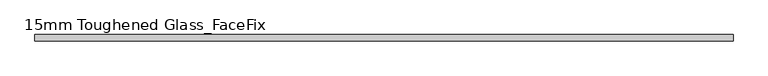
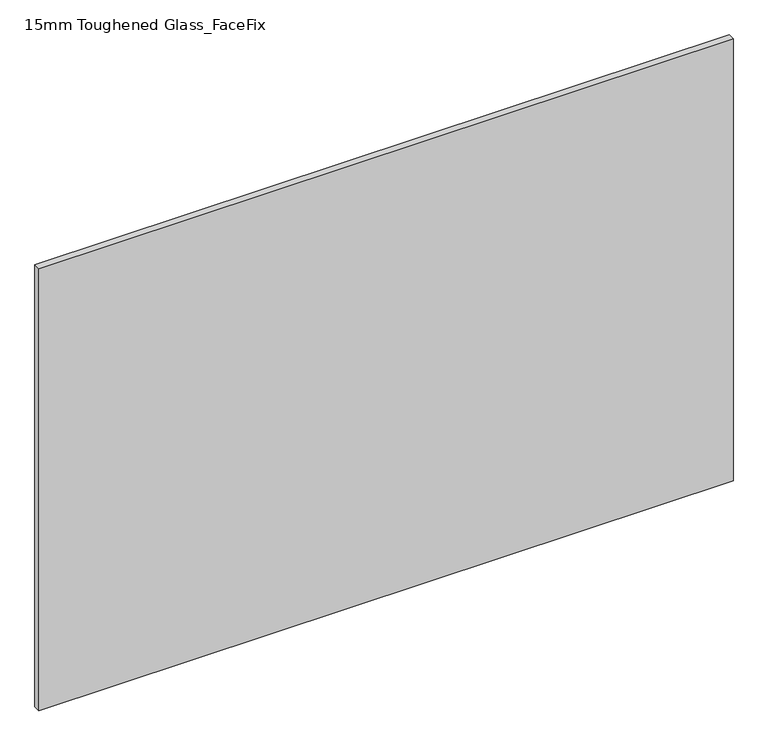
"""IFC4 building model written with IfcOpenShell, lengths in millimetres: plate geometry, 15mm Toughened Glass_FaceFix."""

from ifc_helpers import new_model, si_unit, origin, origin_with_axes, place, context, project, spatial, polyline, outline, extrude, source, transform, mapped, element, save


def plate_15mm_toughened_glass_facefix_4b1a5cfa(model_context):
    return source(origin(), model_context, "Body", "SweptSolid", [
        extrude(outline(polyline([(795.0000001, -24.5), (795.0000001, -39.5), (-795.0000001, -39.5), (-795.0000001, -24.5), (795.0000001, -24.5)])), origin_with_axes(), (0.0, 0.0, 1.0), 1070.0),
    ])


if __name__ == "__main__":
    model = new_model("IFC4")
    model_context = context("Model", 3, world=origin())
    ifc_project = project(units=[si_unit("LENGTHUNIT", "METRE", prefix="MILLI")], contexts=[model_context])
    site = spatial("IfcSite", under=ifc_project)
    building = spatial("IfcBuilding", under=site)
    placement = place(None, origin())
    plate_15mm_toughened_glass_facefix_shape = plate_15mm_toughened_glass_facefix_4b1a5cfa(model_context)
    element("IfcPlate", 1, ObjectType="15mm Toughened Glass_FaceFix", at=placement, inside=building, context=model_context, shape_type="MappedRepresentation", body=[
        mapped(plate_15mm_toughened_glass_facefix_shape, transform((0.0, 0.0, 0.0), x_axis=(1.0, 0.0, 0.0), y_axis=(0.0, 1.0, 0.0), z_axis=(0.0, 0.0, 1.0))),
    ])
    save(model, "model.ifc")
